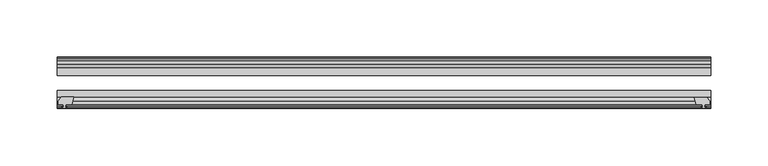
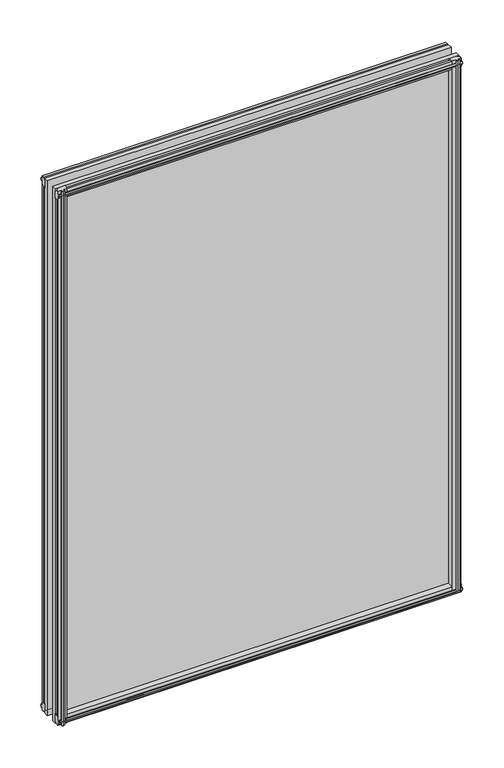
"""IFC4 building model written with IfcOpenShell, lengths in millimetres: plate geometry."""

from ifc_helpers import new_model, si_unit, frame, origin, place, context, project, spatial, polyline, outline, extrude, source, transform, mapped, element, save


def plate_c43e7427(model_context):
    return source(origin(), model_context, "Body", "SweptSolid", [
        extrude(outline(polyline([(-271.3322819, -83.1453125), (-273.05, -89.4953125), (-278.257, -89.4953125), (-278.638, -91.8755095), (-277.2224709, -91.4155762), (-277.2224709, -92.2167904), (-279.4, -92.9243125), (-281.577529, -92.2167904), (-281.577529, -91.4155762), (-280.162, -91.8755095), (-280.543, -89.4953125), (-284.988, -89.4953125), (-284.988, -86.5489125), (-282.1536578, -83.1453125), (-271.3322819, -83.1453125)])), frame((0.0, 0.0, -12.4587), z_axis=(0.0, 0.0, 1.0), x_axis=(1.0, 0.0, 0.0)), (0.0, 0.0, 1.0), 799.6173978),
        extrude(outline(polyline([(271.3538926, -83.2252021), (282.1752685, -83.2252021), (285.0096107, -86.6288021), (285.0096107, -89.5752021), (280.5646107, -89.5752021), (280.1836107, -91.9553991), (281.5991397, -91.4954658), (281.5991397, -92.29668), (279.4216107, -93.0042021), (277.2440816, -92.29668), (277.2440816, -91.4954658), (278.6596107, -91.9553991), (278.2786107, -89.5752021), (273.0716107, -89.5752021), (271.3538926, -83.2252021)])), frame((0.0, 0.0, -9.0482291), z_axis=(0.0, 0.0, 1.0), x_axis=(1.0, 0.0, 0.0)), (0.0, 0.0, 1.0), 796.2069268),
        extrude(outline(polyline([(-280.6827, -49.0151155), (-282.098229, -49.4750488), (-282.098229, -48.6738346), (-279.9207, -47.9663125), (-277.7431709, -48.6738346), (-277.7431709, -49.4750488), (-279.1587, -49.0151155), (-278.7777, -51.3953125), (-273.5707, -51.3953125), (-271.8529819, -57.7453125), (-282.6743578, -57.7453125), (-285.5087, -54.3417125), (-285.5087, -51.3953125), (-281.0637, -51.3953125), (-280.6827, -49.0151155)])), frame((0.0, 0.0, -12.4587), z_axis=(0.0, 0.0, 1.0), x_axis=(1.0, 0.0, 0.0)), (0.0, 0.0, 1.0), 793.2673978),
        extrude(outline(polyline([(271.8529819, -57.7453125), (273.5707, -51.3953125), (278.7777, -51.3953125), (279.1587, -49.0151155), (277.7431709, -49.4750488), (277.7431709, -48.6738346), (279.9207, -47.9663125), (282.098229, -48.6738346), (282.098229, -49.4750488), (280.6827, -49.0151155), (281.0637, -51.3953125), (285.5087, -51.3953125), (285.5087, -54.3417125), (282.6743578, -57.7453125), (271.8529819, -57.7453125)])), frame((0.0, 0.0, -12.4587), z_axis=(0.0, 0.0, 1.0), x_axis=(1.0, 0.0, 0.0)), (0.0, 0.0, 1.0), 793.2673978),
        extrude(outline(polyline([(-48.6738346, -4.6931709), (-47.9663125, -6.8707), (-48.6738346, -9.0482291), (-49.4750488, -9.0482291), (-49.0151155, -7.6327), (-51.3953125, -8.0137), (-51.3953125, -12.4587), (-54.3417125, -12.4587), (-57.7453125, -9.6243578), (-57.7453125, 1.1970181), (-51.3953125, -0.5207), (-51.3953125, -5.7277), (-49.0151155, -6.1087), (-49.4750488, -4.6931709), (-48.6738346, -4.6931709)])), frame((-285.75, 0.0, 0.0), z_axis=(1.0, 0.0, 0.0), x_axis=(0.0, 1.0, 0.0)), (0.0, 0.0, 1.0), 571.5),
        extrude(outline(polyline([(-83.1453125, 1.7177181), (-83.1453125, -9.1036578), (-86.5489125, -11.938), (-89.4953125, -11.938), (-89.4953125, -7.493), (-91.8755095, -7.112), (-91.4155762, -8.5275291), (-92.2167904, -8.5275291), (-92.9243125, -6.35), (-92.2167904, -4.1724709), (-91.4155762, -4.1724709), (-91.8755095, -5.588), (-89.4953125, -5.207), (-89.4953125, 0.0), (-83.1453125, 1.7177181)])), frame((-285.75, 0.0, 0.0), z_axis=(1.0, 0.0, 0.0), x_axis=(0.0, 1.0, 0.0)), (0.0, 0.0, 1.0), 571.5),
        extrude(outline(polyline([(-49.0151155, 782.3326978), (-49.4750488, 783.7482268), (-48.6738346, 783.7482268), (-47.9663125, 781.5706978), (-48.6738346, 779.3931687), (-49.4750488, 779.3931687), (-49.0151155, 780.8086978), (-51.3953125, 780.4276978), (-51.3953125, 775.2206978), (-57.7453125, 773.5029797), (-57.7453125, 784.3243556), (-54.3417125, 787.1586978), (-51.3953125, 787.1586978), (-51.3953125, 782.7136978), (-49.0151155, 782.3326978)])), frame((-285.75, 0.0, 0.0), z_axis=(1.0, 0.0, 0.0), x_axis=(0.0, 1.0, 0.0)), (0.0, 0.0, 1.0), 571.5),
        extrude(outline(polyline([(-89.4953125, 786.6379978), (-86.5489125, 786.6379978), (-83.1453125, 783.8036556), (-83.1453125, 772.9822797), (-89.4953125, 774.6999978), (-89.4953125, 779.9069978), (-91.8755095, 780.2879978), (-91.4155762, 778.8724687), (-92.2167904, 778.8724687), (-92.9243125, 781.0499978), (-92.2167904, 783.2275268), (-91.4155762, 783.2275268), (-91.8755095, 781.8119978), (-89.4953125, 782.1929978), (-89.4953125, 786.6379978)])), frame((-285.75, 0.0, 0.0), z_axis=(1.0, 0.0, 0.0), x_axis=(0.0, 1.0, 0.0)), (0.0, 0.0, 1.0), 571.5),
        extrude(outline(polyline([(-285.75, -57.7453125), (285.75, -57.7453125), (285.75, -64.0953125), (-285.75, -64.0953125), (-285.75, -57.7453125)])), frame((0.0, 0.0, -12.7), z_axis=(0.0, 0.0, 1.0), x_axis=(1.0, 0.0, 0.0)), (0.0, 0.0, 1.0), 800.0999978),
        extrude(outline(polyline([(-285.75, -77.1178925), (285.75, -77.1178925), (285.75, -83.1453125), (-285.75, -83.1453125), (-285.75, -77.1178925)])), frame((0.0, 0.0, -12.7), z_axis=(0.0, 0.0, 1.0), x_axis=(1.0, 0.0, 0.0)), (0.0, 0.0, 1.0), 800.0999978),
    ])


if __name__ == "__main__":
    model = new_model("IFC4")
    model_context = context("Model", 3, world=origin())
    ifc_project = project(units=[si_unit("LENGTHUNIT", "METRE", prefix="MILLI")], contexts=[model_context])
    site = spatial("IfcSite", under=ifc_project)
    building = spatial("IfcBuilding", under=site)
    placement = place(None, origin())
    plate_shape = plate_c43e7427(model_context)
    element("IfcPlate", 1, at=placement, inside=building, context=model_context, shape_type="MappedRepresentation", body=[
        mapped(plate_shape, transform((0.0, 0.0, 0.0), x_axis=(1.0, 0.0, 0.0), y_axis=(0.0, 1.0, 0.0), z_axis=(0.0, 0.0, 1.0))),
    ])
    save(model, "model.ifc")
